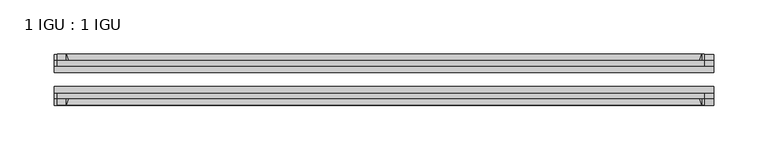
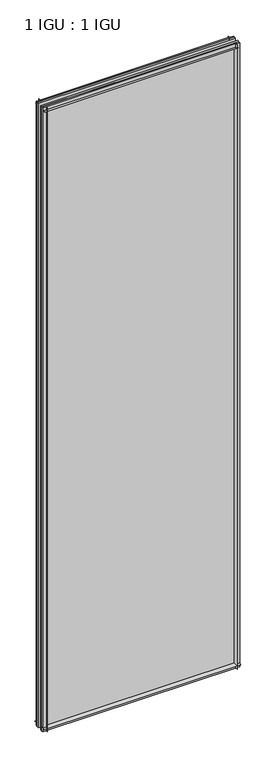
"""IFC4 building model written with IfcOpenShell, lengths in millimetres: plate geometry, 1 IGU : 1 IGU."""

from ifc_helpers import new_model, si_unit, point, frame, frame_2d, origin, place, context, project, spatial, polyline, circle_curve, trimmed, segment, composite_curve, outline, extrude, source, transform, mapped, element, save


def plate_1_igu_1_igu_881ab3a5(model_context):
    return source(origin(), model_context, "Body", "SweptSolid", [
        extrude(outline(composite_curve([segment(trimmed(circle_curve(frame_2d((-28.0741797, 32.2797688)), 32.7673262), [point((-44.45, 3.8979053))], [point((-33.7058, 1.48e-05))], True, "CARTESIAN"), True, "CONTINUOUS"), segment(polyline([(-33.7058, 1.48e-05), (-39.6748, 1.48e-05), (-39.6748, -10.31875), (-44.45, -10.31875), (-44.45, 3.8979053)]), True, "CONTINUOUS")], self_intersect=False)), frame((-303.2121031, 0.0, 0.0), z_axis=(1.0, 0.0, 0.0), x_axis=(0.0, 1.0, 0.0)), (0.0, 0.0, 1.0), 606.4242063),
        extrude(outline(composite_curve([segment(trimmed(circle_curve(frame_2d((-86.2258203, 32.2797602)), 32.7673262), [point((-80.5942354, 0.0))], [point((-69.85, 3.8978967))], True, "CARTESIAN"), True, "CONTINUOUS"), segment(polyline([(-69.85, 3.8978967), (-69.85, -10.31875), (-74.6252, -10.31875), (-74.6252, 0.0), (-80.5942354, 0.0)]), True, "CONTINUOUS")], self_intersect=False)), frame((-303.2121031, 0.0, 0.0), z_axis=(1.0, 0.0, 0.0), x_axis=(0.0, 1.0, 0.0)), (0.0, 0.0, 1.0), 606.4242063),
        extrude(outline(composite_curve([segment(polyline([(-80.5942, 2008.98125), (-74.6252, 2008.98125), (-74.6252, 2020.09375), (-69.85, 2020.09375), (-69.85, 2005.0833595)]), True, "CONTINUOUS"), segment(trimmed(circle_curve(frame_2d((-86.2258203, 1976.701496)), 32.7673262), [point((-69.85, 2005.0833595))], [point((-80.5942, 2008.98125))], True, "CARTESIAN"), True, "CONTINUOUS")], self_intersect=False)), frame((-300.6123418, 0.0, 0.0), z_axis=(1.0, 0.0, 0.0), x_axis=(0.0, 1.0, 0.0)), (0.0, 0.0, 1.0), 595.2579064),
        extrude(outline(composite_curve([segment(polyline([(-39.6748, 2020.09375), (-39.6748, 2008.98125), (-33.7058, 2008.98125)]), True, "CONTINUOUS"), segment(trimmed(circle_curve(frame_2d((-28.0741797, 1976.701496)), 32.7673262), [point((-33.7058, 2008.98125))], [point((-44.45, 2005.0833595))], True, "CARTESIAN"), True, "CONTINUOUS"), segment(polyline([(-44.45, 2005.0833595), (-44.45, 2020.09375), (-39.6748, 2020.09375)]), True, "CONTINUOUS")], self_intersect=False)), frame((-300.6123418, 0.0, 0.0), z_axis=(1.0, 0.0, 0.0), x_axis=(0.0, 1.0, 0.0)), (0.0, 0.0, 1.0), 595.2579064),
        extrude(outline(composite_curve([segment(polyline([(303.2121031, -39.6748), (303.2121031, -44.45), (288.2017126, -44.45)]), True, "CONTINUOUS"), segment(trimmed(circle_curve(frame_2d((259.8198492, -28.0741797)), 32.7673262), [point((288.2017126, -44.45))], [point((292.0996031, -33.7058))], True, "CARTESIAN"), True, "CONTINUOUS"), segment(polyline([(292.0996031, -33.7058), (292.0996031, -39.6748), (303.2121031, -39.6748)]), True, "CONTINUOUS")], self_intersect=False)), frame((0.0, 0.0, -10.31875), z_axis=(0.0, 0.0, 1.0), x_axis=(1.0, 0.0, 0.0)), (0.0, 0.0, 1.0), 2030.4125),
        extrude(outline(composite_curve([segment(polyline([(303.2121031, -69.85), (303.2121031, -74.6252), (292.0996031, -74.6252), (292.0996031, -80.5942)]), True, "CONTINUOUS"), segment(trimmed(circle_curve(frame_2d((259.8198492, -86.2258203)), 32.7673262), [point((292.0996031, -80.5942))], [point((288.2017126, -69.85))], True, "CARTESIAN"), True, "CONTINUOUS"), segment(polyline([(288.2017126, -69.85), (303.2121031, -69.85)]), True, "CONTINUOUS")], self_intersect=False)), frame((0.0, 0.0, -10.31875), z_axis=(0.0, 0.0, 1.0), x_axis=(1.0, 0.0, 0.0)), (0.0, 0.0, 1.0), 2030.4125),
        extrude(outline(composite_curve([segment(polyline([(-303.2121031, -39.6748), (-292.0996031, -39.6748), (-292.0996031, -33.7058)]), True, "CONTINUOUS"), segment(trimmed(circle_curve(frame_2d((-259.8198492, -28.0741797)), 32.7673262), [point((-292.0996031, -33.7058))], [point((-288.2017126, -44.45))], True, "CARTESIAN"), True, "CONTINUOUS"), segment(polyline([(-288.2017126, -44.45), (-303.2121031, -44.45), (-303.2121031, -39.6748)]), True, "CONTINUOUS")], self_intersect=False)), frame((0.0, 0.0, -10.31875), z_axis=(0.0, 0.0, 1.0), x_axis=(1.0, 0.0, 0.0)), (0.0, 0.0, 1.0), 2030.4125),
        extrude(outline(composite_curve([segment(polyline([(-303.2121031, -74.6252), (-303.2121031, -69.85), (-288.2017126, -69.85)]), True, "CONTINUOUS"), segment(trimmed(circle_curve(frame_2d((-259.8198492, -86.2258203)), 32.7673262), [point((-288.2017126, -69.85))], [point((-292.0996031, -80.5942))], True, "CARTESIAN"), True, "CONTINUOUS"), segment(polyline([(-292.0996031, -80.5942), (-292.0996031, -74.6252), (-303.2121031, -74.6252)]), True, "CONTINUOUS")], self_intersect=False)), frame((0.0, 0.0, -10.31875), z_axis=(0.0, 0.0, 1.0), x_axis=(1.0, 0.0, 0.0)), (0.0, 0.0, 1.0), 2030.4125),
        extrude(outline(polyline([(-303.2121031, -69.85), (-303.2121031, -63.5508), (303.2121031, -63.5508), (303.2121031, -69.85), (-303.2121031, -69.85)])), frame((0.0, 0.0, -10.31875), z_axis=(0.0, 0.0, 1.0), x_axis=(1.0, 0.0, 0.0)), (0.0, 0.0, 1.0), 2030.4125),
        extrude(outline(polyline([(303.2121031, -50.7492), (-303.2121031, -50.7492), (-303.2121031, -44.45), (303.2121031, -44.45), (303.2121031, -50.7492)])), frame((0.0, 0.0, -10.31875), z_axis=(0.0, 0.0, 1.0), x_axis=(1.0, 0.0, 0.0)), (0.0, 0.0, 1.0), 2030.4125),
    ])


if __name__ == "__main__":
    model = new_model("IFC4")
    model_context = context("Model", 3, world=origin())
    ifc_project = project(units=[si_unit("LENGTHUNIT", "METRE", prefix="MILLI")], contexts=[model_context])
    site = spatial("IfcSite", under=ifc_project)
    building = spatial("IfcBuilding", under=site)
    placement = place(None, origin())
    plate_1_igu_1_igu_shape = plate_1_igu_1_igu_881ab3a5(model_context)
    element("IfcPlate", 1, ObjectType="1 IGU : 1 IGU", at=placement, inside=building, context=model_context, shape_type="MappedRepresentation", body=[
        mapped(plate_1_igu_1_igu_shape, transform((0.0, 0.0, 0.0), x_axis=(1.0, 0.0, 0.0), y_axis=(0.0, 1.0, 0.0), z_axis=(0.0, 0.0, 1.0))),
    ])
    save(model, "model.ifc")
